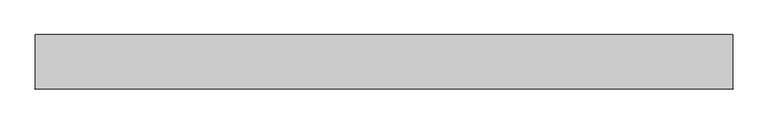
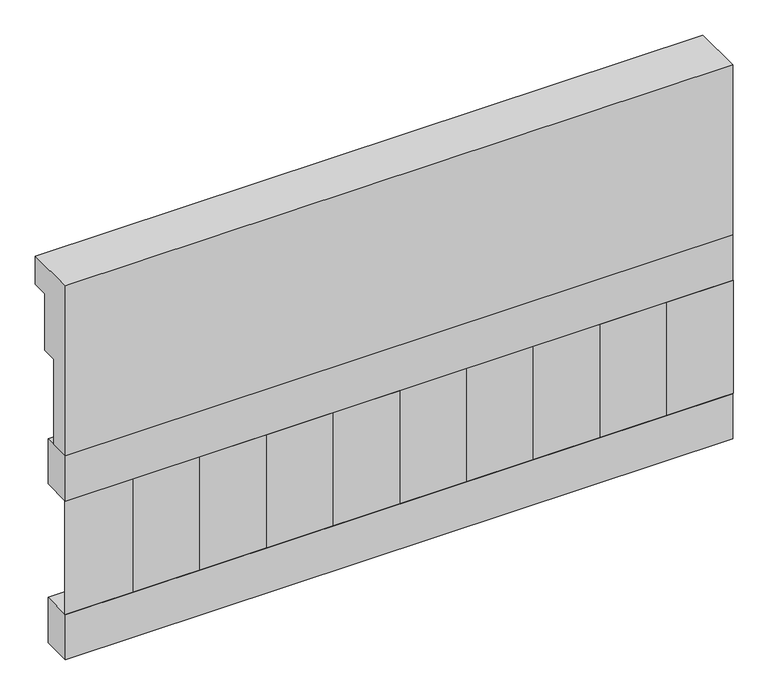
"""IFC4 building model written with IfcOpenShell, lengths in millimetres: railing geometry."""

from ifc_helpers import new_model, si_unit, frame, origin, place, context, project, spatial, polyline, outline, extrude, source, transform, mapped, element, save


def railing_f49b3bff(model_context):
    return source(origin(), model_context, "Body", "SweptSolid", [
        extrude(outline(polyline([(903.1079487, 25100.0), (1033.1079487, 25100.0), (1033.1079487, 25025.0), (993.1079487, 25025.0), (993.1079487, 24875.0), (953.1079487, 24875.0), (953.1079487, 24650.0), (903.1079487, 24650.0), (903.1079487, 25100.0)])), frame((29560.0112841, 0.0, 0.0), z_axis=(1.0, 0.0, 0.0), x_axis=(0.0, 1.0, 0.0)), (0.0, 0.0, 1.0), 1670.0),
        extrude(outline(polyline([(31230.0112841, 978.1079487), (31230.0112841, 903.1079487), (29560.0112841, 903.1079487), (29560.0112841, 978.1079487), (31230.0112841, 978.1079487)])), frame((0.0, 0.0, 24530.0), z_axis=(0.0, 0.0, 1.0), x_axis=(1.0, 0.0, 0.0)), (0.0, 0.0, 1.0), 120.0),
        extrude(outline(polyline([(31230.0112841, 978.1079487), (31230.0112841, 903.1079487), (29560.0112841, 903.1079487), (29560.0112841, 978.1079487), (31230.0112841, 978.1079487)])), frame((0.0, 0.0, 24110.0), z_axis=(0.0, 0.0, 1.0), x_axis=(1.0, 0.0, 0.0)), (0.0, 0.0, 1.0), 120.0),
        extrude(outline(polyline([(29643.5112841, 987.9607624), (29728.3640978, 903.1079487), (29558.6584704, 903.1079487), (29643.5112841, 987.9607624)])), frame((0.0, 0.0, 24230.0), z_axis=(0.0, 0.0, 1.0), x_axis=(1.0, 0.0, 0.0)), (0.0, 0.0, 1.0), 300.0),
        extrude(outline(polyline([(29810.5112841, 987.9607624), (29895.3640978, 903.1079487), (29725.6584704, 903.1079487), (29810.5112841, 987.9607624)])), frame((0.0, 0.0, 24230.0), z_axis=(0.0, 0.0, 1.0), x_axis=(1.0, 0.0, 0.0)), (0.0, 0.0, 1.0), 300.0),
        extrude(outline(polyline([(29977.5112841, 987.9607624), (30062.3640978, 903.1079487), (29892.6584704, 903.1079487), (29977.5112841, 987.9607624)])), frame((0.0, 0.0, 24230.0), z_axis=(0.0, 0.0, 1.0), x_axis=(1.0, 0.0, 0.0)), (0.0, 0.0, 1.0), 300.0),
        extrude(outline(polyline([(30144.5112841, 987.9607624), (30229.3640978, 903.1079487), (30059.6584704, 903.1079487), (30144.5112841, 987.9607624)])), frame((0.0, 0.0, 24230.0), z_axis=(0.0, 0.0, 1.0), x_axis=(1.0, 0.0, 0.0)), (0.0, 0.0, 1.0), 300.0),
        extrude(outline(polyline([(30311.5112841, 987.9607624), (30396.3640978, 903.1079487), (30226.6584704, 903.1079487), (30311.5112841, 987.9607624)])), frame((0.0, 0.0, 24230.0), z_axis=(0.0, 0.0, 1.0), x_axis=(1.0, 0.0, 0.0)), (0.0, 0.0, 1.0), 300.0),
        extrude(outline(polyline([(30478.5112841, 987.9607624), (30563.3640978, 903.1079487), (30393.6584704, 903.1079487), (30478.5112841, 987.9607624)])), frame((0.0, 0.0, 24230.0), z_axis=(0.0, 0.0, 1.0), x_axis=(1.0, 0.0, 0.0)), (0.0, 0.0, 1.0), 300.0),
        extrude(outline(polyline([(30645.5112841, 987.9607624), (30730.3640978, 903.1079487), (30560.6584704, 903.1079487), (30645.5112841, 987.9607624)])), frame((0.0, 0.0, 24230.0), z_axis=(0.0, 0.0, 1.0), x_axis=(1.0, 0.0, 0.0)), (0.0, 0.0, 1.0), 300.0),
        extrude(outline(polyline([(30812.5112841, 987.9607624), (30897.3640978, 903.1079487), (30727.6584704, 903.1079487), (30812.5112841, 987.9607624)])), frame((0.0, 0.0, 24230.0), z_axis=(0.0, 0.0, 1.0), x_axis=(1.0, 0.0, 0.0)), (0.0, 0.0, 1.0), 300.0),
        extrude(outline(polyline([(30979.5112841, 987.9607624), (31064.3640978, 903.1079487), (30894.6584704, 903.1079487), (30979.5112841, 987.9607624)])), frame((0.0, 0.0, 24230.0), z_axis=(0.0, 0.0, 1.0), x_axis=(1.0, 0.0, 0.0)), (0.0, 0.0, 1.0), 300.0),
        extrude(outline(polyline([(31146.5112841, 987.9607624), (31231.3640978, 903.1079487), (31061.6584704, 903.1079487), (31146.5112841, 987.9607624)])), frame((0.0, 0.0, 24230.0), z_axis=(0.0, 0.0, 1.0), x_axis=(1.0, 0.0, 0.0)), (0.0, 0.0, 1.0), 300.0),
    ])


if __name__ == "__main__":
    model = new_model("IFC4")
    model_context = context("Model", 3, world=origin())
    ifc_project = project(units=[si_unit("LENGTHUNIT", "METRE", prefix="MILLI")], contexts=[model_context])
    site = spatial("IfcSite", under=ifc_project)
    building = spatial("IfcBuilding", under=site)
    placement = place(None, origin())
    railing_shape = railing_f49b3bff(model_context)
    element("IfcRailing", 1, at=placement, inside=building, context=model_context, shape_type="MappedRepresentation", body=[
        mapped(railing_shape, transform((0.0, 0.0, 0.0), x_axis=(1.0, 0.0, 0.0), y_axis=(0.0, 1.0, 0.0), z_axis=(0.0, 0.0, 1.0))),
    ])
    save(model, "model.ifc")
